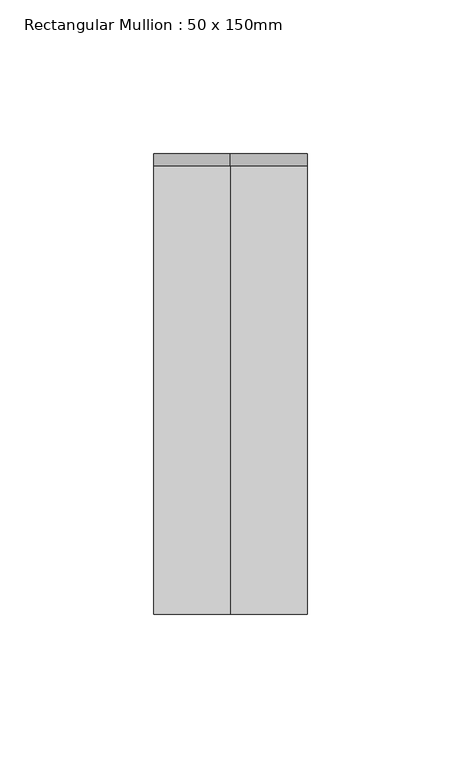
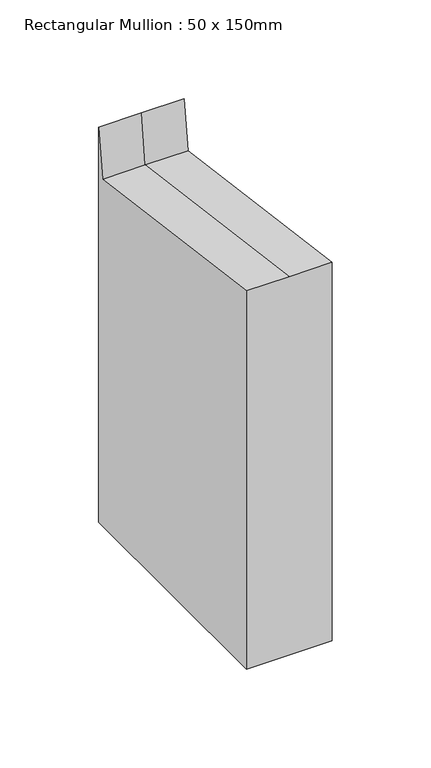
"""IFC4 building model written with IfcOpenShell, lengths in millimetres: member geometry, Rectangular Mullion : 50 x 150mm."""

from ifc_helpers import new_model, si_unit, origin, place, context, project, spatial, faceted_brep, source, transform, mapped, element, save


def rectangular_mullion_50_x_150mm_4d7494a8(model_context):
    return source(origin(), model_context, "Body", "Brep", [
        faceted_brep([(25.0, 75.0, -224.1542008), (25.0, -75.0, -224.1542008), (-25.0, -75.0, -224.1542008), (-25.0, 75.0, -224.1542008), (-25.0, 75.0, 20.0164197), (0.0, 75.0, 20.0164197), (25.0, 75.0, 20.0164197), (-25.0, -75.0, 9.7896196), (-25.0, 71.0328341, -9.7035513), (25.0, -75.0, 9.7896196), (0.0, -75.0, 9.7896196), (25.0, 71.0328341, -9.7035513), (0.0, 71.0328341, -9.7035513)], [[[0, 1, 2, 3]], [[4, 5, 6, 0, 3]], [[7, 8, 4, 3, 2]], [[9, 10, 7, 2, 1]], [[6, 11, 9, 1, 0]], [[6, 5, 12, 11]], [[5, 4, 8, 12]], [[8, 7, 10, 12]], [[10, 9, 11, 12]]]),
    ])


if __name__ == "__main__":
    model = new_model("IFC4")
    model_context = context("Model", 3, world=origin())
    ifc_project = project(units=[si_unit("LENGTHUNIT", "METRE", prefix="MILLI")], contexts=[model_context])
    site = spatial("IfcSite", under=ifc_project)
    building = spatial("IfcBuilding", under=site)
    placement = place(None, origin())
    rectangular_mullion_50_x_150mm_shape = rectangular_mullion_50_x_150mm_4d7494a8(model_context)
    element("IfcMember", 1, ObjectType="Rectangular Mullion : 50 x 150mm", at=placement, inside=building, context=model_context, shape_type="MappedRepresentation", body=[
        mapped(rectangular_mullion_50_x_150mm_shape, transform((0.0, 0.0, 0.0), x_axis=(1.0, 0.0, 0.0), y_axis=(0.0, 1.0, 0.0), z_axis=(0.0, 0.0, 1.0))),
    ])
    save(model, "model.ifc")
